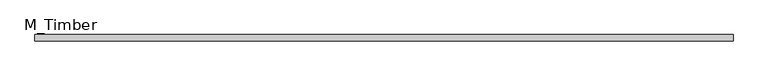
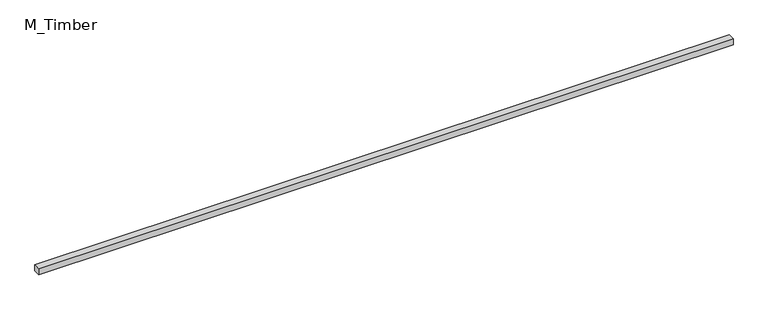
"""IFC4 building model written with IfcOpenShell, lengths in millimetres: beam geometry, M_Timber."""

from ifc_helpers import new_model, si_unit, frame, origin, place, context, project, spatial, polyline, outline, extrude, source, transform, mapped, element, save


def m_timber_7c4901ae(model_context):
    return source(origin(), model_context, "Body", "SweptSolid", [
        extrude(outline(polyline([(2154.658429, 20.0), (2154.658429, -20.0), (-2154.658429, -20.0), (-2154.658429, 20.0), (2154.658429, 20.0)])), frame((0.0, 0.0, -20.0), z_axis=(0.0, 0.0, 1.0), x_axis=(1.0, 0.0, 0.0)), (0.0, 0.0, 1.0), 40.0),
    ])


if __name__ == "__main__":
    model = new_model("IFC4")
    model_context = context("Model", 3, world=origin())
    ifc_project = project(units=[si_unit("LENGTHUNIT", "METRE", prefix="MILLI")], contexts=[model_context])
    site = spatial("IfcSite", under=ifc_project)
    building = spatial("IfcBuilding", under=site)
    placement = place(None, origin())
    m_timber_shape = m_timber_7c4901ae(model_context)
    element("IfcBeam", 1, ObjectType="M_Timber", at=placement, inside=building, context=model_context, shape_type="MappedRepresentation", body=[
        mapped(m_timber_shape, transform((0.0, 0.0, 0.0), x_axis=(1.0, 0.0, 0.0), y_axis=(0.0, 1.0, 0.0), z_axis=(0.0, 0.0, 1.0))),
    ])
    save(model, "model.ifc")
